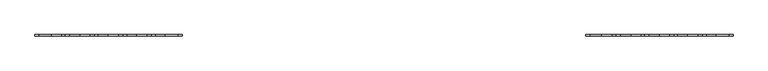
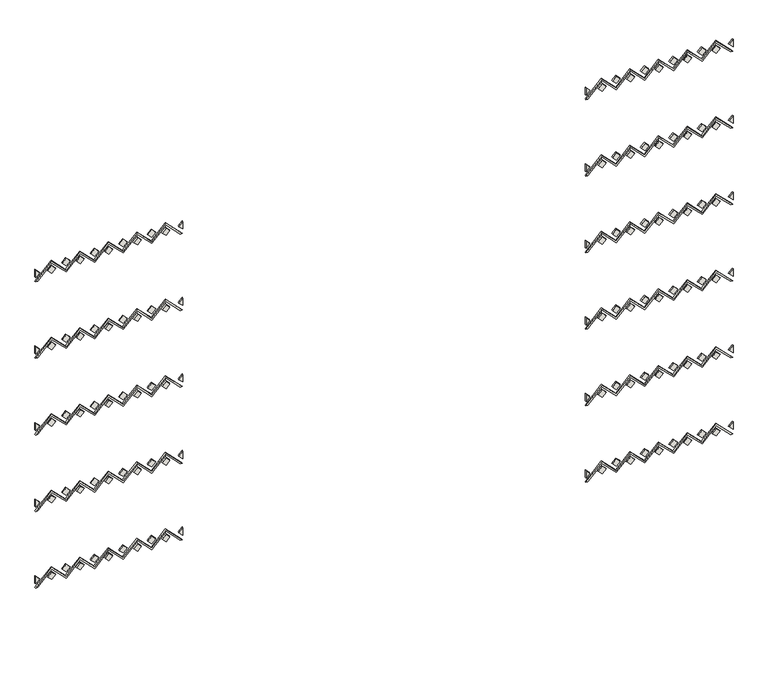
"""IFC4 building model written with IfcOpenShell, lengths in millimetres: wall geometry."""

import ifcopenshell
import ifcopenshell.guid

model = None  # the IFC model being written
_history = None  # IfcOwnerHistory: only IFC2X3 demands one
_inside = {}  # id of a spatial element -> (the spatial element, [elements in it])
_under = {}  # id of a project, library or spatial element -> (it, [spatial elements below it])
_declared = {}  # id of a project -> (the project, [libraries it declares])
_typed = {}  # id of a type object -> (the type object, [elements of that type])
_made_of = {}  # id of a material, layer set ... -> (it, [elements and type objects made of it])


def new_model(schema):
    """Start an empty IFC model of exactly this schema.

    Asked for "IFC4X3", IfcOpenShell would pick the latest addendum, in which some entities
    have other attributes; the version numbers below select the first issue.
    IFC2X3 requires an IfcOwnerHistory on every rooted entity: one is made here for all.
    """
    global model, _history
    if schema == "IFC4X3":
        model = ifcopenshell.file(schema_version=(4, 3, 0, 0))
    else:
        model = ifcopenshell.file(schema=schema)
    _inside.clear()
    _under.clear()
    _declared.clear()
    _typed.clear()
    _made_of.clear()
    _history = None
    if model.schema == "IFC2X3":
        org = make("IfcOrganization", Name="unknown")
        user = make(
            "IfcPersonAndOrganization",
            ThePerson=make("IfcPerson", FamilyName="unknown"),
            TheOrganization=org,
        )
        app = make(
            "IfcApplication",
            ApplicationDeveloper=org,
            Version="unknown",
            ApplicationFullName="unknown",
            ApplicationIdentifier="unknown",
        )
        _history = make(
            "IfcOwnerHistory",
            OwningUser=user,
            OwningApplication=app,
            ChangeAction="ADDED",
            CreationDate=0,
        )
    return model


def make(cls, **values):
    """One entity of the class cls with the attributes given. An attribute that is None is left unset."""
    return model.create_entity(
        cls, **{name: value for name, value in values.items() if value is not None}
    )


def rooted(cls, **values):
    """An entity with a GlobalId (a new one), such as an element, a storey or a relation."""
    return make(cls, GlobalId=ifcopenshell.guid.new(), OwnerHistory=_history, **values)


def si_unit(unit_type, name, prefix=None):
    """IfcSIUnit, for example si_unit("LENGTHUNIT", "METRE", prefix="MILLI")."""
    return make("IfcSIUnit", UnitType=unit_type, Prefix=prefix, Name=name)


def assignment(units):
    """IfcUnitAssignment: the units of a project."""
    return None if units is None else make("IfcUnitAssignment", Units=units)


def point(xyz):
    """IfcCartesianPoint."""
    return None if xyz is None else make("IfcCartesianPoint", Coordinates=xyz)


def direction(xyz):
    """IfcDirection."""
    return None if xyz is None else make("IfcDirection", DirectionRatios=xyz)


def frame(location, z_axis=None, x_axis=None):
    """IfcAxis2Placement3D, a coordinate frame: its origin and axes. An axis left out is left unset."""
    return make(
        "IfcAxis2Placement3D",
        Location=point(location),
        Axis=direction(z_axis),
        RefDirection=direction(x_axis),
    )


def origin():
    """The frame at (0, 0, 0) with its axes left unset."""
    return frame((0.0, 0.0, 0.0))


def place(relative_to, where):
    """IfcLocalPlacement: puts the frame where relative to a parent placement (None: the world)."""
    return make(
        "IfcLocalPlacement", PlacementRelTo=relative_to, RelativePlacement=where
    )


def context(
    kind, dimensions, precision=None, world=None, true_north=None, identifier=None
):
    """IfcGeometricRepresentationContext, for example the 3D "Model" context."""
    return make(
        "IfcGeometricRepresentationContext",
        ContextIdentifier=identifier,
        ContextType=kind,
        CoordinateSpaceDimension=dimensions,
        Precision=precision,
        WorldCoordinateSystem=world,
        TrueNorth=true_north,
    )


def project(units=None, contexts=None):
    """IfcProject with its units and contexts."""
    return rooted(
        "IfcProject",
        Name="project",
        RepresentationContexts=contexts,
        UnitsInContext=assignment(units),
    )


def spatial(cls, under=None, at=None, **own):
    """A site, building, storey or space (cls), placed at a placement, below another one or the project."""
    s = rooted(cls, ObjectPlacement=at, **own)
    if under is not None:
        _under.setdefault(under.id(), (under, []))[1].append(s)
    return s


def polyline(points):
    """IfcPolyline through the points."""
    return make("IfcPolyline", Points=[point(p) for p in points])


def outline(outer, holes=None, kind="AREA"):
    """IfcArbitraryClosedProfileDef: a profile drawn as a closed curve; with holes, ...WithVoids."""
    if holes is None:
        return make("IfcArbitraryClosedProfileDef", ProfileType=kind, OuterCurve=outer)
    return make(
        "IfcArbitraryProfileDefWithVoids",
        ProfileType=kind,
        OuterCurve=outer,
        InnerCurves=holes,
    )


def extrude(swept, where, along, depth):
    """IfcExtrudedAreaSolid: the profile swept, set in the frame where, extruded along a direction by depth."""
    return make(
        "IfcExtrudedAreaSolid",
        SweptArea=swept,
        Position=where,
        ExtrudedDirection=direction(along),
        Depth=depth,
    )


def shape(context_of_items, identifier, shape_type, items):
    """IfcShapeRepresentation: the items that make up one representation, for example the "Body"."""
    return make(
        "IfcShapeRepresentation",
        ContextOfItems=context_of_items,
        RepresentationIdentifier=identifier,
        RepresentationType=shape_type,
        Items=items,
    )


def source(mapping_origin, context_of_items, identifier, shape_type, items):
    """IfcRepresentationMap: a shape defined once, which mapped items show again and again."""
    return make(
        "IfcRepresentationMap",
        MappingOrigin=mapping_origin,
        MappedRepresentation=shape(context_of_items, identifier, shape_type, items),
    )


def transform(
    local_origin,
    x_axis=None,
    y_axis=None,
    z_axis=None,
    scale=None,
    scale2=None,
    scale3=None,
    uniform=True,
):
    """IfcCartesianTransformationOperator3D, or its non-uniform kind. x_axis, y_axis, z_axis: its Axis1, 2, 3."""
    if uniform:
        return make(
            "IfcCartesianTransformationOperator3D",
            Axis1=direction(x_axis),
            Axis2=direction(y_axis),
            LocalOrigin=point(local_origin),
            Scale=scale,
            Axis3=direction(z_axis),
        )
    return make(
        "IfcCartesianTransformationOperator3DnonUniform",
        Axis1=direction(x_axis),
        Axis2=direction(y_axis),
        LocalOrigin=point(local_origin),
        Scale=scale,
        Axis3=direction(z_axis),
        Scale2=scale2,
        Scale3=scale3,
    )


def mapped(mapping_source, mapping_target):
    """IfcMappedItem: shows the shape of a source again, moved by a transform."""
    return make(
        "IfcMappedItem", MappingSource=mapping_source, MappingTarget=mapping_target
    )


def made_of(thing, what):
    """Note that an element or type object is made of a material, layer set ...; save() writes the relation."""
    if what is not None:
        _made_of.setdefault(what.id(), (what, []))[1].append(thing)
    return thing


def element(
    cls,
    number,
    at=None,
    inside=None,
    cuts=None,
    type_object=None,
    material=None,
    context=None,
    identifier="Body",
    shape_type=None,
    held_by="IfcProductDefinitionShape",
    body=None,
    shapes=None,
    **own,
):
    """One element of the class cls, such as IfcWall. Its Tag is "e" and its number.

    at: its placement. inside: the storey or other place that contains it. cuts: it is an
    opening in that element (IfcRelVoidsElement). A single representation is given by context,
    identifier, shape_type and body (its items); several are given by shapes. held_by: the class
    of the entity that holds the representations. save() writes the other relations.
    """
    e = rooted(cls, Tag="e%d" % number, ObjectPlacement=at, **own)
    if body is not None:
        shapes = [shape(context, identifier, shape_type, body)]
    if shapes is not None:
        e.Representation = make(held_by, Representations=shapes)
    if inside is not None:
        _inside.setdefault(inside.id(), (inside, []))[1].append(e)
    if cuts is not None:
        rooted(
            "IfcRelVoidsElement", RelatingBuildingElement=cuts, RelatedOpeningElement=e
        )
    if type_object is not None:
        _typed.setdefault(type_object.id(), (type_object, []))[1].append(e)
    return made_of(e, material)


def aggregate(whole, parts):
    """IfcRelAggregates: a whole, such as a stair, and the parts it consists of."""
    return rooted("IfcRelAggregates", RelatingObject=whole, RelatedObjects=parts)


def save(model, path):
    """Write the relations noted so far, then the file.

    IfcRelAggregates (storeys below a building ...), IfcRelContainedInSpatialStructure (elements
    in a storey), IfcRelDefinesByType, IfcRelAssociatesMaterial and IfcRelDeclares: one each for
    every whole, place, type object, material and project.
    """
    for whole, parts in _under.values():
        aggregate(whole, parts)
    for where, things in _inside.values():
        rooted(
            "IfcRelContainedInSpatialStructure",
            RelatedElements=things,
            RelatingStructure=where,
        )
    for kind, things in _typed.values():
        rooted("IfcRelDefinesByType", RelatedObjects=things, RelatingType=kind)
    for what, things in _made_of.values():
        rooted("IfcRelAssociatesMaterial", RelatedObjects=things, RelatingMaterial=what)
    for by, libraries in _declared.values():
        rooted("IfcRelDeclares", RelatingContext=by, RelatedDefinitions=libraries)
    model.write(path)


def wall_6f62bc7a(model_context):
    return source(origin(), model_context, "Body", "SweptSolid", [
        extrude(outline(polyline([(36070.7106781, 9670.7106781), (36600.0, 9141.4213562), (36070.7106781, 8612.1320344), (36600.0, 8082.8427125), (36000.0, 7482.8427125), (36000.0, 7553.5533906), (36529.2893219, 8082.8427125), (36000.0, 8612.1320344), (36529.2893219, 9141.4213562), (36000.0, 9670.7106781), (36529.2893219, 10200.0), (36000.0, 10729.2893219), (36529.2893219, 11258.5786438), (36000.0, 11787.8679656), (36529.2893219, 12317.1572875), (36000.0, 12846.4466094), (36000.0, 12917.1572875), (36600.0, 12317.1572875), (36070.7106781, 11787.8679656), (36600.0, 11258.5786438), (36070.7106781, 10729.2893219), (36600.0, 10200.0), (36070.7106781, 9670.7106781)])), frame((0.0, -13815.7022443, 0.0), z_axis=(0.0, 1.0, 0.0), x_axis=(0.0, 0.0, 1.0)), (0.0, 0.0, 1.0), 50.0),
        extrude(outline(polyline([(0.0, -205.0609665), (0.0, 0.0), (50.0, 0.0), (50.0, -205.0609665), (0.0, -205.0609665)])), frame((10055.0, -13815.7022443, 36274.2893219), z_axis=(0.7071067811865581, 0.0, 0.707106781186537), x_axis=(0.0, 1.0, 0.0)), (0.0, 0.0, 1.0), 205.0609665),
        extrude(outline(polyline([(0.0, -205.0609665), (0.0, 0.0), (50.0, 0.0), (50.0, -205.0609665), (0.0, -205.0609665)])), frame((11113.5786438, -13815.7022443, 36274.2893219), z_axis=(0.7071067811865581, 0.0, 0.707106781186537), x_axis=(0.0, 1.0, 0.0)), (0.0, 0.0, 1.0), 205.0609665),
        extrude(outline(polyline([(0.0, -205.0609665), (0.0, 0.0), (50.0, 0.0), (50.0, -205.0609665), (0.0, -205.0609665)])), frame((12172.1572875, -13815.7022443, 36274.2893219), z_axis=(0.7071067811865581, 0.0, 0.707106781186537), x_axis=(0.0, 1.0, 0.0)), (0.0, 0.0, 1.0), 205.0609665),
        extrude(outline(polyline([(0.0, -205.0609665), (0.0, 0.0), (50.0, 0.0), (50.0, -205.0609665), (0.0, -205.0609665)])), frame((8996.4213562, -13815.7022443, 36274.2893219), z_axis=(0.7071067811865581, 0.0, 0.707106781186537), x_axis=(0.0, 1.0, 0.0)), (0.0, 0.0, 1.0), 205.0609665),
        extrude(outline(polyline([(0.0, -205.0609665), (0.0, 0.0), (50.0, 0.0), (50.0, -205.0609665), (0.0, -205.0609665)])), frame((7937.8427125, -13815.7022443, 36274.2893219), z_axis=(0.7071067811865581, 0.0, 0.707106781186537), x_axis=(0.0, 1.0, 0.0)), (0.0, 0.0, 1.0), 205.0609665),
        extrude(outline(polyline([(0.0, -205.0609665), (0.0, 0.0), (50.0, 0.0), (50.0, -205.0609665), (0.0, -205.0609665)])), frame((8470.0118402, -13815.7022443, 36384.2893219), z_axis=(0.7071067811865581, 0.0, 0.707106781186537), x_axis=(0.0, 1.0, 0.0)), (0.0, 0.0, 1.0), 205.0609665),
        extrude(outline(polyline([(0.0, -205.0609665), (0.0, 0.0), (50.0, 0.0), (50.0, -205.0609665), (0.0, -205.0609665)])), frame((9528.590484, -13815.7022443, 36384.2893219), z_axis=(0.7071067811865555, 0.0, 0.7071067811865396), x_axis=(0.0, 1.0, 0.0)), (0.0, 0.0, 1.0), 205.0609665),
        extrude(outline(polyline([(0.0, -205.0609665), (0.0, 0.0), (50.0, 0.0), (50.0, -205.0609665), (0.0, -205.0609665)])), frame((10587.1691277, -13815.7022443, 36384.2893219), z_axis=(0.7071067811865581, 0.0, 0.707106781186537), x_axis=(0.0, 1.0, 0.0)), (0.0, 0.0, 1.0), 205.0609665),
        extrude(outline(polyline([(0.0, -205.0609665), (0.0, 0.0), (50.0, 0.0), (50.0, -205.0609665), (0.0, -205.0609665)])), frame((11645.7477715, -13815.7022443, 36384.2893219), z_axis=(0.7071067811865581, 0.0, 0.707106781186537), x_axis=(0.0, 1.0, 0.0)), (0.0, 0.0, 1.0), 205.0609665),
        extrude(outline(polyline([(36313.5786438, 12792.8798059), (36168.5786438, 12937.8798059), (36458.5786438, 12937.8798059), (36313.5786438, 12792.8798059)])), frame((0.0, -13815.7022443, 0.0), z_axis=(0.0, 1.0, 0.0), x_axis=(0.0, 0.0, 1.0)), (0.0, 0.0, 1.0), 50.0),
        extrude(outline(polyline([(36458.5786438, 7485.7225183), (36168.5786438, 7485.7225183), (36313.5786438, 7630.7225183), (36458.5786438, 7485.7225183)])), frame((0.0, -13815.7022443, 0.0), z_axis=(0.0, 1.0, 0.0), x_axis=(0.0, 0.0, 1.0)), (0.0, 0.0, 1.0), 50.0),
        extrude(outline(polyline([(36070.7106781, -10729.2893219), (36600.0, -11258.5786438), (36070.7106781, -11787.8679656), (36600.0, -12317.1572875), (36000.0, -12917.1572875), (36000.0, -12846.4466094), (36529.2893219, -12317.1572875), (36000.0, -11787.8679656), (36529.2893219, -11258.5786438), (36000.0, -10729.2893219), (36529.2893219, -10200.0), (36000.0, -9670.7106781), (36529.2893219, -9141.4213562), (36000.0, -8612.1320344), (36529.2893219, -8082.8427125), (36000.0, -7553.5533906), (36000.0, -7482.8427125), (36600.0, -8082.8427125), (36070.7106781, -8612.1320344), (36600.0, -9141.4213562), (36070.7106781, -9670.7106781), (36600.0, -10200.0), (36070.7106781, -10729.2893219)])), frame((0.0, -13815.7022443, 0.0), z_axis=(0.0, 1.0, 0.0), x_axis=(0.0, 0.0, 1.0)), (0.0, 0.0, 1.0), 50.0),
        extrude(outline(polyline([(0.0, -205.0609665), (0.0, 0.0), (50.0, 0.0), (50.0, -205.0609665), (0.0, -205.0609665)])), frame((-10345.0, -13815.7022443, 36274.2893219), z_axis=(0.7071067811865634, 0.0, 0.7071067811865317), x_axis=(0.0, 1.0, 0.0)), (0.0, 0.0, 1.0), 205.0609665),
        extrude(outline(polyline([(0.0, -205.0609665), (0.0, 0.0), (50.0, 0.0), (50.0, -205.0609665), (0.0, -205.0609665)])), frame((-9286.4213562, -13815.7022443, 36274.2893219), z_axis=(0.7071067811865581, 0.0, 0.707106781186537), x_axis=(0.0, 1.0, 0.0)), (0.0, 0.0, 1.0), 205.0609665),
        extrude(outline(polyline([(0.0, -205.0609665), (0.0, 0.0), (50.0, 0.0), (50.0, -205.0609665), (0.0, -205.0609665)])), frame((-8227.8427125, -13815.7022443, 36274.2893219), z_axis=(0.7071067811865581, 0.0, 0.707106781186537), x_axis=(0.0, 1.0, 0.0)), (0.0, 0.0, 1.0), 205.0609665),
        extrude(outline(polyline([(0.0, -205.0609665), (0.0, 0.0), (50.0, 0.0), (50.0, -205.0609665), (0.0, -205.0609665)])), frame((-11403.5786438, -13815.7022443, 36274.2893219), z_axis=(0.7071067811865581, 0.0, 0.707106781186537), x_axis=(0.0, 1.0, 0.0)), (0.0, 0.0, 1.0), 205.0609665),
        extrude(outline(polyline([(0.0, -205.0609665), (0.0, 0.0), (50.0, 0.0), (50.0, -205.0609665), (0.0, -205.0609665)])), frame((-12462.1572875, -13815.7022443, 36274.2893219), z_axis=(0.7071067811865581, 0.0, 0.707106781186537), x_axis=(0.0, 1.0, 0.0)), (0.0, 0.0, 1.0), 205.0609665),
        extrude(outline(polyline([(0.0, -205.0609665), (0.0, 0.0), (50.0, 0.0), (50.0, -205.0609665), (0.0, -205.0609665)])), frame((-11929.9881598, -13815.7022443, 36384.2893219), z_axis=(0.7071067811865581, 0.0, 0.707106781186537), x_axis=(0.0, 1.0, 0.0)), (0.0, 0.0, 1.0), 205.0609665),
        extrude(outline(polyline([(0.0, -205.0609665), (0.0, 0.0), (50.0, 0.0), (50.0, -205.0609665), (0.0, -205.0609665)])), frame((-10871.409516, -13815.7022443, 36384.2893219), z_axis=(0.7071067811865581, 0.0, 0.707106781186537), x_axis=(0.0, 1.0, 0.0)), (0.0, 0.0, 1.0), 205.0609665),
        extrude(outline(polyline([(0.0, -205.0609665), (0.0, 0.0), (50.0, 0.0), (50.0, -205.0609665), (0.0, -205.0609665)])), frame((-9812.8308723, -13815.7022443, 36384.2893219), z_axis=(0.7071067811865555, 0.0, 0.7071067811865397), x_axis=(0.0, 1.0, 0.0)), (0.0, 0.0, 1.0), 205.0609665),
        extrude(outline(polyline([(0.0, -205.0609665), (0.0, 0.0), (50.0, 0.0), (50.0, -205.0609665), (0.0, -205.0609665)])), frame((-8754.2522285, -13815.7022443, 36384.2893219), z_axis=(0.7071067811865581, 0.0, 0.707106781186537), x_axis=(0.0, 1.0, 0.0)), (0.0, 0.0, 1.0), 205.0609665),
        extrude(outline(polyline([(36313.5786438, -7607.1201941), (36168.5786438, -7462.1201941), (36458.5786438, -7462.1201941), (36313.5786438, -7607.1201941)])), frame((0.0, -13815.7022443, 0.0), z_axis=(0.0, 1.0, 0.0), x_axis=(0.0, 0.0, 1.0)), (0.0, 0.0, 1.0), 50.0),
        extrude(outline(polyline([(36458.5786438, -12914.2774817), (36168.5786438, -12914.2774817), (36313.5786438, -12769.2774817), (36458.5786438, -12914.2774817)])), frame((0.0, -13815.7022443, 0.0), z_axis=(0.0, 1.0, 0.0), x_axis=(0.0, 0.0, 1.0)), (0.0, 0.0, 1.0), 50.0),
        extrude(outline(polyline([(33070.7106781, 9670.7106781), (33600.0, 9141.4213562), (33070.7106781, 8612.1320344), (33600.0, 8082.8427125), (33000.0, 7482.8427125), (33000.0, 7553.5533906), (33529.2893219, 8082.8427125), (33000.0, 8612.1320344), (33529.2893219, 9141.4213562), (33000.0, 9670.7106781), (33529.2893219, 10200.0), (33000.0, 10729.2893219), (33529.2893219, 11258.5786438), (33000.0, 11787.8679656), (33529.2893219, 12317.1572875), (33000.0, 12846.4466094), (33000.0, 12917.1572875), (33600.0, 12317.1572875), (33070.7106781, 11787.8679656), (33600.0, 11258.5786438), (33070.7106781, 10729.2893219), (33600.0, 10200.0), (33070.7106781, 9670.7106781)])), frame((0.0, -13815.7022443, 0.0), z_axis=(0.0, 1.0, 0.0), x_axis=(0.0, 0.0, 1.0)), (0.0, 0.0, 1.0), 50.0),
        extrude(outline(polyline([(0.0, -205.0609665), (0.0, 0.0), (50.0, 0.0), (50.0, -205.0609665), (0.0, -205.0609665)])), frame((10055.0, -13815.7022443, 33274.2893219), z_axis=(0.7071067811865581, 0.0, 0.707106781186537), x_axis=(0.0, 1.0, 0.0)), (0.0, 0.0, 1.0), 205.0609665),
        extrude(outline(polyline([(0.0, -205.0609665), (0.0, 0.0), (50.0, 0.0), (50.0, -205.0609665), (0.0, -205.0609665)])), frame((11113.5786438, -13815.7022443, 33274.2893219), z_axis=(0.7071067811865581, 0.0, 0.707106781186537), x_axis=(0.0, 1.0, 0.0)), (0.0, 0.0, 1.0), 205.0609665),
        extrude(outline(polyline([(0.0, -205.0609665), (0.0, 0.0), (50.0, 0.0), (50.0, -205.0609665), (0.0, -205.0609665)])), frame((12172.1572875, -13815.7022443, 33274.2893219), z_axis=(0.7071067811865476, 0.0, 0.7071067811865476), x_axis=(0.0, 1.0, 0.0)), (0.0, 0.0, 1.0), 205.0609665),
        extrude(outline(polyline([(0.0, -205.0609665), (0.0, 0.0), (50.0, 0.0), (50.0, -205.0609665), (0.0, -205.0609665)])), frame((8996.4213562, -13815.7022443, 33274.2893219), z_axis=(0.7071067811865581, 0.0, 0.707106781186537), x_axis=(0.0, 1.0, 0.0)), (0.0, 0.0, 1.0), 205.0609665),
        extrude(outline(polyline([(0.0, -205.0609665), (0.0, 0.0), (50.0, 0.0), (50.0, -205.0609665), (0.0, -205.0609665)])), frame((7937.8427125, -13815.7022443, 33274.2893219), z_axis=(0.7071067811865581, 0.0, 0.707106781186537), x_axis=(0.0, 1.0, 0.0)), (0.0, 0.0, 1.0), 205.0609665),
        extrude(outline(polyline([(0.0, -205.0609665), (0.0, 0.0), (50.0, 0.0), (50.0, -205.0609665), (0.0, -205.0609665)])), frame((8470.0118402, -13815.7022443, 33384.2893219), z_axis=(0.7071067811865581, 0.0, 0.707106781186537), x_axis=(0.0, 1.0, 0.0)), (0.0, 0.0, 1.0), 205.0609665),
        extrude(outline(polyline([(0.0, -205.0609665), (0.0, 0.0), (50.0, 0.0), (50.0, -205.0609665), (0.0, -205.0609665)])), frame((9528.590484, -13815.7022443, 33384.2893219), z_axis=(0.7071067811865502, 0.0, 0.7071067811865449), x_axis=(0.0, 1.0, 0.0)), (0.0, 0.0, 1.0), 205.0609665),
        extrude(outline(polyline([(0.0, -205.0609665), (0.0, 0.0), (50.0, 0.0), (50.0, -205.0609665), (0.0, -205.0609665)])), frame((10587.1691277, -13815.7022443, 33384.2893219), z_axis=(0.7071067811865581, 0.0, 0.707106781186537), x_axis=(0.0, 1.0, 0.0)), (0.0, 0.0, 1.0), 205.0609665),
        extrude(outline(polyline([(0.0, -205.0609665), (0.0, 0.0), (50.0, 0.0), (50.0, -205.0609665), (0.0, -205.0609665)])), frame((11645.7477715, -13815.7022443, 33384.2893219), z_axis=(0.7071067811865581, 0.0, 0.707106781186537), x_axis=(0.0, 1.0, 0.0)), (0.0, 0.0, 1.0), 205.0609665),
        extrude(outline(polyline([(33313.5786438, 12792.8798059), (33168.5786438, 12937.8798059), (33458.5786438, 12937.8798059), (33313.5786438, 12792.8798059)])), frame((0.0, -13815.7022443, 0.0), z_axis=(0.0, 1.0, 0.0), x_axis=(0.0, 0.0, 1.0)), (0.0, 0.0, 1.0), 50.0),
        extrude(outline(polyline([(33458.5786438, 7485.7225183), (33168.5786438, 7485.7225183), (33313.5786438, 7630.7225183), (33458.5786438, 7485.7225183)])), frame((0.0, -13815.7022443, 0.0), z_axis=(0.0, 1.0, 0.0), x_axis=(0.0, 0.0, 1.0)), (0.0, 0.0, 1.0), 50.0),
        extrude(outline(polyline([(33070.7106781, -10729.2893219), (33600.0, -11258.5786438), (33070.7106781, -11787.8679656), (33600.0, -12317.1572875), (33000.0, -12917.1572875), (33000.0, -12846.4466094), (33529.2893219, -12317.1572875), (33000.0, -11787.8679656), (33529.2893219, -11258.5786438), (33000.0, -10729.2893219), (33529.2893219, -10200.0), (33000.0, -9670.7106781), (33529.2893219, -9141.4213562), (33000.0, -8612.1320344), (33529.2893219, -8082.8427125), (33000.0, -7553.5533906), (33000.0, -7482.8427125), (33600.0, -8082.8427125), (33070.7106781, -8612.1320344), (33600.0, -9141.4213562), (33070.7106781, -9670.7106781), (33600.0, -10200.0), (33070.7106781, -10729.2893219)])), frame((0.0, -13815.7022443, 0.0), z_axis=(0.0, 1.0, 0.0), x_axis=(0.0, 0.0, 1.0)), (0.0, 0.0, 1.0), 50.0),
        extrude(outline(polyline([(0.0, -205.0609665), (0.0, 0.0), (50.0, 0.0), (50.0, -205.0609665), (0.0, -205.0609665)])), frame((-10345.0, -13815.7022443, 33274.2893219), z_axis=(0.7071067811865581, 0.0, 0.707106781186537), x_axis=(0.0, 1.0, 0.0)), (0.0, 0.0, 1.0), 205.0609665),
        extrude(outline(polyline([(0.0, -205.0609665), (0.0, 0.0), (50.0, 0.0), (50.0, -205.0609665), (0.0, -205.0609665)])), frame((-9286.4213562, -13815.7022443, 33274.2893219), z_axis=(0.7071067811865476, 0.0, 0.7071067811865476), x_axis=(0.0, 1.0, 0.0)), (0.0, 0.0, 1.0), 205.0609665),
        extrude(outline(polyline([(0.0, -205.0609665), (0.0, 0.0), (50.0, 0.0), (50.0, -205.0609665), (0.0, -205.0609665)])), frame((-8227.8427125, -13815.7022443, 33274.2893219), z_axis=(0.7071067811865581, 0.0, 0.707106781186537), x_axis=(0.0, 1.0, 0.0)), (0.0, 0.0, 1.0), 205.0609665),
        extrude(outline(polyline([(0.0, -205.0609665), (0.0, 0.0), (50.0, 0.0), (50.0, -205.0609665), (0.0, -205.0609665)])), frame((-11403.5786438, -13815.7022443, 33274.2893219), z_axis=(0.7071067811865581, 0.0, 0.707106781186537), x_axis=(0.0, 1.0, 0.0)), (0.0, 0.0, 1.0), 205.0609665),
        extrude(outline(polyline([(0.0, -205.0609665), (0.0, 0.0), (50.0, 0.0), (50.0, -205.0609665), (0.0, -205.0609665)])), frame((-12462.1572875, -13815.7022443, 33274.2893219), z_axis=(0.7071067811865581, 0.0, 0.707106781186537), x_axis=(0.0, 1.0, 0.0)), (0.0, 0.0, 1.0), 205.0609665),
        extrude(outline(polyline([(0.0, -205.0609665), (0.0, 0.0), (50.0, 0.0), (50.0, -205.0609665), (0.0, -205.0609665)])), frame((-11929.9881598, -13815.7022443, 33384.2893219), z_axis=(0.7071067811865528, 0.0, 0.7071067811865422), x_axis=(0.0, 1.0, 0.0)), (0.0, 0.0, 1.0), 205.0609665),
        extrude(outline(polyline([(0.0, -205.0609665), (0.0, 0.0), (50.0, 0.0), (50.0, -205.0609665), (0.0, -205.0609665)])), frame((-10871.409516, -13815.7022443, 33384.2893219), z_axis=(0.7071067811865581, 0.0, 0.707106781186537), x_axis=(0.0, 1.0, 0.0)), (0.0, 0.0, 1.0), 205.0609665),
        extrude(outline(polyline([(0.0, -205.0609665), (0.0, 0.0), (50.0, 0.0), (50.0, -205.0609665), (0.0, -205.0609665)])), frame((-9812.8308723, -13815.7022443, 33384.2893219), z_axis=(0.7071067811865555, 0.0, 0.7071067811865397), x_axis=(0.0, 1.0, 0.0)), (0.0, 0.0, 1.0), 205.0609665),
        extrude(outline(polyline([(0.0, -205.0609665), (0.0, 0.0), (50.0, 0.0), (50.0, -205.0609665), (0.0, -205.0609665)])), frame((-8754.2522285, -13815.7022443, 33384.2893219), z_axis=(0.7071067811865581, 0.0, 0.707106781186537), x_axis=(0.0, 1.0, 0.0)), (0.0, 0.0, 1.0), 205.0609665),
        extrude(outline(polyline([(33313.5786438, -7607.1201941), (33168.5786438, -7462.1201941), (33458.5786438, -7462.1201941), (33313.5786438, -7607.1201941)])), frame((0.0, -13815.7022443, 0.0), z_axis=(0.0, 1.0, 0.0), x_axis=(0.0, 0.0, 1.0)), (0.0, 0.0, 1.0), 50.0),
        extrude(outline(polyline([(33458.5786438, -12914.2774817), (33168.5786438, -12914.2774817), (33313.5786438, -12769.2774817), (33458.5786438, -12914.2774817)])), frame((0.0, -13815.7022443, 0.0), z_axis=(0.0, 1.0, 0.0), x_axis=(0.0, 0.0, 1.0)), (0.0, 0.0, 1.0), 50.0),
        extrude(outline(polyline([(30070.7106781, 9670.7106781), (30600.0, 9141.4213562), (30070.7106781, 8612.1320344), (30600.0, 8082.8427125), (30000.0, 7482.8427125), (30000.0, 7553.5533906), (30529.2893219, 8082.8427125), (30000.0, 8612.1320344), (30529.2893219, 9141.4213562), (30000.0, 9670.7106781), (30529.2893219, 10200.0), (30000.0, 10729.2893219), (30529.2893219, 11258.5786438), (30000.0, 11787.8679656), (30529.2893219, 12317.1572875), (30000.0, 12846.4466094), (30000.0, 12917.1572875), (30600.0, 12317.1572875), (30070.7106781, 11787.8679656), (30600.0, 11258.5786438), (30070.7106781, 10729.2893219), (30600.0, 10200.0), (30070.7106781, 9670.7106781)])), frame((0.0, -13815.7022443, 0.0), z_axis=(0.0, 1.0, 0.0), x_axis=(0.0, 0.0, 1.0)), (0.0, 0.0, 1.0), 50.0),
        extrude(outline(polyline([(0.0, -205.0609665), (0.0, 0.0), (50.0, 0.0), (50.0, -205.0609665), (0.0, -205.0609665)])), frame((10055.0, -13815.7022443, 30274.2893219), z_axis=(0.7071067811865581, 0.0, 0.707106781186537), x_axis=(0.0, 1.0, 0.0)), (0.0, 0.0, 1.0), 205.0609665),
        extrude(outline(polyline([(0.0, -205.0609665), (0.0, 0.0), (50.0, 0.0), (50.0, -205.0609665), (0.0, -205.0609665)])), frame((11113.5786438, -13815.7022443, 30274.2893219), z_axis=(0.7071067811865581, 0.0, 0.707106781186537), x_axis=(0.0, 1.0, 0.0)), (0.0, 0.0, 1.0), 205.0609665),
        extrude(outline(polyline([(0.0, -205.0609665), (0.0, 0.0), (50.0, 0.0), (50.0, -205.0609665), (0.0, -205.0609665)])), frame((12172.1572875, -13815.7022443, 30274.2893219), z_axis=(0.7071067811865581, 0.0, 0.707106781186537), x_axis=(0.0, 1.0, 0.0)), (0.0, 0.0, 1.0), 205.0609665),
        extrude(outline(polyline([(0.0, -205.0609665), (0.0, 0.0), (50.0, 0.0), (50.0, -205.0609665), (0.0, -205.0609665)])), frame((8996.4213562, -13815.7022443, 30274.2893219), z_axis=(0.7071067811865581, 0.0, 0.707106781186537), x_axis=(0.0, 1.0, 0.0)), (0.0, 0.0, 1.0), 205.0609665),
        extrude(outline(polyline([(0.0, -205.0609665), (0.0, 0.0), (50.0, 0.0), (50.0, -205.0609665), (0.0, -205.0609665)])), frame((7937.8427125, -13815.7022443, 30274.2893219), z_axis=(0.7071067811865581, 0.0, 0.707106781186537), x_axis=(0.0, 1.0, 0.0)), (0.0, 0.0, 1.0), 205.0609665),
        extrude(outline(polyline([(0.0, -205.0609665), (0.0, 0.0), (50.0, 0.0), (50.0, -205.0609665), (0.0, -205.0609665)])), frame((8470.0118402, -13815.7022443, 30384.2893219), z_axis=(0.7071067811865581, 0.0, 0.707106781186537), x_axis=(0.0, 1.0, 0.0)), (0.0, 0.0, 1.0), 205.0609665),
        extrude(outline(polyline([(0.0, -205.0609665), (0.0, 0.0), (50.0, 0.0), (50.0, -205.0609665), (0.0, -205.0609665)])), frame((9528.590484, -13815.7022443, 30384.2893219), z_axis=(0.7071067811865555, 0.0, 0.7071067811865396), x_axis=(0.0, 1.0, 0.0)), (0.0, 0.0, 1.0), 205.0609665),
        extrude(outline(polyline([(0.0, -205.0609665), (0.0, 0.0), (50.0, 0.0), (50.0, -205.0609665), (0.0, -205.0609665)])), frame((10587.1691277, -13815.7022443, 30384.2893219), z_axis=(0.7071067811865581, 0.0, 0.707106781186537), x_axis=(0.0, 1.0, 0.0)), (0.0, 0.0, 1.0), 205.0609665),
        extrude(outline(polyline([(0.0, -205.0609665), (0.0, 0.0), (50.0, 0.0), (50.0, -205.0609665), (0.0, -205.0609665)])), frame((11645.7477715, -13815.7022443, 30384.2893219), z_axis=(0.7071067811865581, 0.0, 0.707106781186537), x_axis=(0.0, 1.0, 0.0)), (0.0, 0.0, 1.0), 205.0609665),
        extrude(outline(polyline([(30313.5786438, 12792.8798059), (30168.5786438, 12937.8798059), (30458.5786438, 12937.8798059), (30313.5786438, 12792.8798059)])), frame((0.0, -13815.7022443, 0.0), z_axis=(0.0, 1.0, 0.0), x_axis=(0.0, 0.0, 1.0)), (0.0, 0.0, 1.0), 50.0),
        extrude(outline(polyline([(30458.5786438, 7485.7225183), (30168.5786438, 7485.7225183), (30313.5786438, 7630.7225183), (30458.5786438, 7485.7225183)])), frame((0.0, -13815.7022443, 0.0), z_axis=(0.0, 1.0, 0.0), x_axis=(0.0, 0.0, 1.0)), (0.0, 0.0, 1.0), 50.0),
        extrude(outline(polyline([(30070.7106781, -10729.2893219), (30600.0, -11258.5786438), (30070.7106781, -11787.8679656), (30600.0, -12317.1572875), (30000.0, -12917.1572875), (30000.0, -12846.4466094), (30529.2893219, -12317.1572875), (30000.0, -11787.8679656), (30529.2893219, -11258.5786438), (30000.0, -10729.2893219), (30529.2893219, -10200.0), (30000.0, -9670.7106781), (30529.2893219, -9141.4213562), (30000.0, -8612.1320344), (30529.2893219, -8082.8427125), (30000.0, -7553.5533906), (30000.0, -7482.8427125), (30600.0, -8082.8427125), (30070.7106781, -8612.1320344), (30600.0, -9141.4213562), (30070.7106781, -9670.7106781), (30600.0, -10200.0), (30070.7106781, -10729.2893219)])), frame((0.0, -13815.7022443, 0.0), z_axis=(0.0, 1.0, 0.0), x_axis=(0.0, 0.0, 1.0)), (0.0, 0.0, 1.0), 50.0),
        extrude(outline(polyline([(0.0, -205.0609665), (0.0, 0.0), (50.0, 0.0), (50.0, -205.0609665), (0.0, -205.0609665)])), frame((-10345.0, -13815.7022443, 30274.2893219), z_axis=(0.7071067811865634, 0.0, 0.7071067811865317), x_axis=(0.0, 1.0, 0.0)), (0.0, 0.0, 1.0), 205.0609665),
        extrude(outline(polyline([(0.0, -205.0609665), (0.0, 0.0), (50.0, 0.0), (50.0, -205.0609665), (0.0, -205.0609665)])), frame((-9286.4213562, -13815.7022443, 30274.2893219), z_axis=(0.7071067811865581, 0.0, 0.707106781186537), x_axis=(0.0, 1.0, 0.0)), (0.0, 0.0, 1.0), 205.0609665),
        extrude(outline(polyline([(0.0, -205.0609665), (0.0, 0.0), (50.0, 0.0), (50.0, -205.0609665), (0.0, -205.0609665)])), frame((-8227.8427125, -13815.7022443, 30274.2893219), z_axis=(0.7071067811865581, 0.0, 0.707106781186537), x_axis=(0.0, 1.0, 0.0)), (0.0, 0.0, 1.0), 205.0609665),
        extrude(outline(polyline([(0.0, -205.0609665), (0.0, 0.0), (50.0, 0.0), (50.0, -205.0609665), (0.0, -205.0609665)])), frame((-11403.5786438, -13815.7022443, 30274.2893219), z_axis=(0.7071067811865581, 0.0, 0.707106781186537), x_axis=(0.0, 1.0, 0.0)), (0.0, 0.0, 1.0), 205.0609665),
        extrude(outline(polyline([(0.0, -205.0609665), (0.0, 0.0), (50.0, 0.0), (50.0, -205.0609665), (0.0, -205.0609665)])), frame((-12462.1572875, -13815.7022443, 30274.2893219), z_axis=(0.7071067811865581, 0.0, 0.707106781186537), x_axis=(0.0, 1.0, 0.0)), (0.0, 0.0, 1.0), 205.0609665),
        extrude(outline(polyline([(0.0, -205.0609665), (0.0, 0.0), (50.0, 0.0), (50.0, -205.0609665), (0.0, -205.0609665)])), frame((-11929.9881598, -13815.7022443, 30384.2893219), z_axis=(0.7071067811865581, 0.0, 0.707106781186537), x_axis=(0.0, 1.0, 0.0)), (0.0, 0.0, 1.0), 205.0609665),
        extrude(outline(polyline([(0.0, -205.0609665), (0.0, 0.0), (50.0, 0.0), (50.0, -205.0609665), (0.0, -205.0609665)])), frame((-10871.409516, -13815.7022443, 30384.2893219), z_axis=(0.7071067811865581, 0.0, 0.707106781186537), x_axis=(0.0, 1.0, 0.0)), (0.0, 0.0, 1.0), 205.0609665),
        extrude(outline(polyline([(0.0, -205.0609665), (0.0, 0.0), (50.0, 0.0), (50.0, -205.0609665), (0.0, -205.0609665)])), frame((-9812.8308723, -13815.7022443, 30384.2893219), z_axis=(0.7071067811865555, 0.0, 0.7071067811865397), x_axis=(0.0, 1.0, 0.0)), (0.0, 0.0, 1.0), 205.0609665),
        extrude(outline(polyline([(0.0, -205.0609665), (0.0, 0.0), (50.0, 0.0), (50.0, -205.0609665), (0.0, -205.0609665)])), frame((-8754.2522285, -13815.7022443, 30384.2893219), z_axis=(0.7071067811865581, 0.0, 0.707106781186537), x_axis=(0.0, 1.0, 0.0)), (0.0, 0.0, 1.0), 205.0609665),
        extrude(outline(polyline([(30313.5786438, -7607.1201941), (30168.5786438, -7462.1201941), (30458.5786438, -7462.1201941), (30313.5786438, -7607.1201941)])), frame((0.0, -13815.7022443, 0.0), z_axis=(0.0, 1.0, 0.0), x_axis=(0.0, 0.0, 1.0)), (0.0, 0.0, 1.0), 50.0),
        extrude(outline(polyline([(30458.5786438, -12914.2774817), (30168.5786438, -12914.2774817), (30313.5786438, -12769.2774817), (30458.5786438, -12914.2774817)])), frame((0.0, -13815.7022443, 0.0), z_axis=(0.0, 1.0, 0.0), x_axis=(0.0, 0.0, 1.0)), (0.0, 0.0, 1.0), 50.0),
        extrude(outline(polyline([(27070.7106781, 9670.7106781), (27600.0, 9141.4213562), (27070.7106781, 8612.1320344), (27600.0, 8082.8427125), (27000.0, 7482.8427125), (27000.0, 7553.5533906), (27529.2893219, 8082.8427125), (27000.0, 8612.1320344), (27529.2893219, 9141.4213562), (27000.0, 9670.7106781), (27529.2893219, 10200.0), (27000.0, 10729.2893219), (27529.2893219, 11258.5786438), (27000.0, 11787.8679656), (27529.2893219, 12317.1572875), (27000.0, 12846.4466094), (27000.0, 12917.1572875), (27600.0, 12317.1572875), (27070.7106781, 11787.8679656), (27600.0, 11258.5786438), (27070.7106781, 10729.2893219), (27600.0, 10200.0), (27070.7106781, 9670.7106781)])), frame((0.0, -13815.7022443, 0.0), z_axis=(0.0, 1.0, 0.0), x_axis=(0.0, 0.0, 1.0)), (0.0, 0.0, 1.0), 50.0),
        extrude(outline(polyline([(0.0, -205.0609665), (0.0, 0.0), (50.0, 0.0), (50.0, -205.0609665), (0.0, -205.0609665)])), frame((10055.0, -13815.7022443, 27274.2893219), z_axis=(0.7071067811865581, 0.0, 0.707106781186537), x_axis=(0.0, 1.0, 0.0)), (0.0, 0.0, 1.0), 205.0609665),
        extrude(outline(polyline([(0.0, -205.0609665), (0.0, 0.0), (50.0, 0.0), (50.0, -205.0609665), (0.0, -205.0609665)])), frame((11113.5786438, -13815.7022443, 27274.2893219), z_axis=(0.7071067811865581, 0.0, 0.707106781186537), x_axis=(0.0, 1.0, 0.0)), (0.0, 0.0, 1.0), 205.0609665),
        extrude(outline(polyline([(0.0, -205.0609665), (0.0, 0.0), (50.0, 0.0), (50.0, -205.0609665), (0.0, -205.0609665)])), frame((12172.1572875, -13815.7022443, 27274.2893219), z_axis=(0.7071067811865476, 0.0, 0.7071067811865476), x_axis=(0.0, 1.0, 0.0)), (0.0, 0.0, 1.0), 205.0609665),
        extrude(outline(polyline([(0.0, -205.0609665), (0.0, 0.0), (50.0, 0.0), (50.0, -205.0609665), (0.0, -205.0609665)])), frame((8996.4213562, -13815.7022443, 27274.2893219), z_axis=(0.7071067811865581, 0.0, 0.707106781186537), x_axis=(0.0, 1.0, 0.0)), (0.0, 0.0, 1.0), 205.0609665),
        extrude(outline(polyline([(0.0, -205.0609665), (0.0, 0.0), (50.0, 0.0), (50.0, -205.0609665), (0.0, -205.0609665)])), frame((7937.8427125, -13815.7022443, 27274.2893219), z_axis=(0.7071067811865581, 0.0, 0.707106781186537), x_axis=(0.0, 1.0, 0.0)), (0.0, 0.0, 1.0), 205.0609665),
        extrude(outline(polyline([(0.0, -205.0609665), (0.0, 0.0), (50.0, 0.0), (50.0, -205.0609665), (0.0, -205.0609665)])), frame((8470.0118402, -13815.7022443, 27384.2893219), z_axis=(0.7071067811865581, 0.0, 0.707106781186537), x_axis=(0.0, 1.0, 0.0)), (0.0, 0.0, 1.0), 205.0609665),
        extrude(outline(polyline([(0.0, -205.0609665), (0.0, 0.0), (50.0, 0.0), (50.0, -205.0609665), (0.0, -205.0609665)])), frame((9528.590484, -13815.7022443, 27384.2893219), z_axis=(0.7071067811865502, 0.0, 0.7071067811865449), x_axis=(0.0, 1.0, 0.0)), (0.0, 0.0, 1.0), 205.0609665),
        extrude(outline(polyline([(0.0, -205.0609665), (0.0, 0.0), (50.0, 0.0), (50.0, -205.0609665), (0.0, -205.0609665)])), frame((10587.1691277, -13815.7022443, 27384.2893219), z_axis=(0.7071067811865581, 0.0, 0.707106781186537), x_axis=(0.0, 1.0, 0.0)), (0.0, 0.0, 1.0), 205.0609665),
        extrude(outline(polyline([(0.0, -205.0609665), (0.0, 0.0), (50.0, 0.0), (50.0, -205.0609665), (0.0, -205.0609665)])), frame((11645.7477715, -13815.7022443, 27384.2893219), z_axis=(0.7071067811865581, 0.0, 0.707106781186537), x_axis=(0.0, 1.0, 0.0)), (0.0, 0.0, 1.0), 205.0609665),
        extrude(outline(polyline([(27313.5786438, 12792.8798059), (27168.5786438, 12937.8798059), (27458.5786438, 12937.8798059), (27313.5786438, 12792.8798059)])), frame((0.0, -13815.7022443, 0.0), z_axis=(0.0, 1.0, 0.0), x_axis=(0.0, 0.0, 1.0)), (0.0, 0.0, 1.0), 50.0),
        extrude(outline(polyline([(27458.5786438, 7485.7225183), (27168.5786438, 7485.7225183), (27313.5786438, 7630.7225183), (27458.5786438, 7485.7225183)])), frame((0.0, -13815.7022443, 0.0), z_axis=(0.0, 1.0, 0.0), x_axis=(0.0, 0.0, 1.0)), (0.0, 0.0, 1.0), 50.0),
        extrude(outline(polyline([(27070.7106781, -10729.2893219), (27600.0, -11258.5786438), (27070.7106781, -11787.8679656), (27600.0, -12317.1572875), (27000.0, -12917.1572875), (27000.0, -12846.4466094), (27529.2893219, -12317.1572875), (27000.0, -11787.8679656), (27529.2893219, -11258.5786438), (27000.0, -10729.2893219), (27529.2893219, -10200.0), (27000.0, -9670.7106781), (27529.2893219, -9141.4213562), (27000.0, -8612.1320344), (27529.2893219, -8082.8427125), (27000.0, -7553.5533906), (27000.0, -7482.8427125), (27600.0, -8082.8427125), (27070.7106781, -8612.1320344), (27600.0, -9141.4213562), (27070.7106781, -9670.7106781), (27600.0, -10200.0), (27070.7106781, -10729.2893219)])), frame((0.0, -13815.7022443, 0.0), z_axis=(0.0, 1.0, 0.0), x_axis=(0.0, 0.0, 1.0)), (0.0, 0.0, 1.0), 50.0),
        extrude(outline(polyline([(0.0, -205.0609665), (0.0, 0.0), (50.0, 0.0), (50.0, -205.0609665), (0.0, -205.0609665)])), frame((-10345.0, -13815.7022443, 27274.2893219), z_axis=(0.7071067811865581, 0.0, 0.707106781186537), x_axis=(0.0, 1.0, 0.0)), (0.0, 0.0, 1.0), 205.0609665),
        extrude(outline(polyline([(0.0, -205.0609665), (0.0, 0.0), (50.0, 0.0), (50.0, -205.0609665), (0.0, -205.0609665)])), frame((-9286.4213562, -13815.7022443, 27274.2893219), z_axis=(0.7071067811865476, 0.0, 0.7071067811865476), x_axis=(0.0, 1.0, 0.0)), (0.0, 0.0, 1.0), 205.0609665),
        extrude(outline(polyline([(0.0, -205.0609665), (0.0, 0.0), (50.0, 0.0), (50.0, -205.0609665), (0.0, -205.0609665)])), frame((-8227.8427125, -13815.7022443, 27274.2893219), z_axis=(0.7071067811865581, 0.0, 0.707106781186537), x_axis=(0.0, 1.0, 0.0)), (0.0, 0.0, 1.0), 205.0609665),
        extrude(outline(polyline([(0.0, -205.0609665), (0.0, 0.0), (50.0, 0.0), (50.0, -205.0609665), (0.0, -205.0609665)])), frame((-11403.5786438, -13815.7022443, 27274.2893219), z_axis=(0.7071067811865581, 0.0, 0.707106781186537), x_axis=(0.0, 1.0, 0.0)), (0.0, 0.0, 1.0), 205.0609665),
        extrude(outline(polyline([(0.0, -205.0609665), (0.0, 0.0), (50.0, 0.0), (50.0, -205.0609665), (0.0, -205.0609665)])), frame((-12462.1572875, -13815.7022443, 27274.2893219), z_axis=(0.7071067811865581, 0.0, 0.707106781186537), x_axis=(0.0, 1.0, 0.0)), (0.0, 0.0, 1.0), 205.0609665),
        extrude(outline(polyline([(0.0, -205.0609665), (0.0, 0.0), (50.0, 0.0), (50.0, -205.0609665), (0.0, -205.0609665)])), frame((-11929.9881598, -13815.7022443, 27384.2893219), z_axis=(0.7071067811865528, 0.0, 0.7071067811865422), x_axis=(0.0, 1.0, 0.0)), (0.0, 0.0, 1.0), 205.0609665),
        extrude(outline(polyline([(0.0, -205.0609665), (0.0, 0.0), (50.0, 0.0), (50.0, -205.0609665), (0.0, -205.0609665)])), frame((-10871.409516, -13815.7022443, 27384.2893219), z_axis=(0.7071067811865581, 0.0, 0.707106781186537), x_axis=(0.0, 1.0, 0.0)), (0.0, 0.0, 1.0), 205.0609665),
        extrude(outline(polyline([(0.0, -205.0609665), (0.0, 0.0), (50.0, 0.0), (50.0, -205.0609665), (0.0, -205.0609665)])), frame((-9812.8308723, -13815.7022443, 27384.2893219), z_axis=(0.7071067811865555, 0.0, 0.7071067811865397), x_axis=(0.0, 1.0, 0.0)), (0.0, 0.0, 1.0), 205.0609665),
        extrude(outline(polyline([(0.0, -205.0609665), (0.0, 0.0), (50.0, 0.0), (50.0, -205.0609665), (0.0, -205.0609665)])), frame((-8754.2522285, -13815.7022443, 27384.2893219), z_axis=(0.7071067811865581, 0.0, 0.707106781186537), x_axis=(0.0, 1.0, 0.0)), (0.0, 0.0, 1.0), 205.0609665),
        extrude(outline(polyline([(27313.5786438, -7607.1201941), (27168.5786438, -7462.1201941), (27458.5786438, -7462.1201941), (27313.5786438, -7607.1201941)])), frame((0.0, -13815.7022443, 0.0), z_axis=(0.0, 1.0, 0.0), x_axis=(0.0, 0.0, 1.0)), (0.0, 0.0, 1.0), 50.0),
        extrude(outline(polyline([(27458.5786438, -12914.2774817), (27168.5786438, -12914.2774817), (27313.5786438, -12769.2774817), (27458.5786438, -12914.2774817)])), frame((0.0, -13815.7022443, 0.0), z_axis=(0.0, 1.0, 0.0), x_axis=(0.0, 0.0, 1.0)), (0.0, 0.0, 1.0), 50.0),
        extrude(outline(polyline([(24070.7106781, 9670.7106781), (24600.0, 9141.4213562), (24070.7106781, 8612.1320344), (24600.0, 8082.8427125), (24000.0, 7482.8427125), (24000.0, 7553.5533906), (24529.2893219, 8082.8427125), (24000.0, 8612.1320344), (24529.2893219, 9141.4213562), (24000.0, 9670.7106781), (24529.2893219, 10200.0), (24000.0, 10729.2893219), (24529.2893219, 11258.5786438), (24000.0, 11787.8679656), (24529.2893219, 12317.1572875), (24000.0, 12846.4466094), (24000.0, 12917.1572875), (24600.0, 12317.1572875), (24070.7106781, 11787.8679656), (24600.0, 11258.5786438), (24070.7106781, 10729.2893219), (24600.0, 10200.0), (24070.7106781, 9670.7106781)])), frame((0.0, -13815.7022443, 0.0), z_axis=(0.0, 1.0, 0.0), x_axis=(0.0, 0.0, 1.0)), (0.0, 0.0, 1.0), 50.0),
        extrude(outline(polyline([(0.0, -205.0609665), (0.0, 0.0), (50.0, 0.0), (50.0, -205.0609665), (0.0, -205.0609665)])), frame((10055.0, -13815.7022443, 24274.2893219), z_axis=(0.7071067811865581, 0.0, 0.707106781186537), x_axis=(0.0, 1.0, 0.0)), (0.0, 0.0, 1.0), 205.0609665),
        extrude(outline(polyline([(0.0, -205.0609665), (0.0, 0.0), (50.0, 0.0), (50.0, -205.0609665), (0.0, -205.0609665)])), frame((11113.5786438, -13815.7022443, 24274.2893219), z_axis=(0.7071067811865581, 0.0, 0.707106781186537), x_axis=(0.0, 1.0, 0.0)), (0.0, 0.0, 1.0), 205.0609665),
        extrude(outline(polyline([(0.0, -205.0609665), (0.0, 0.0), (50.0, 0.0), (50.0, -205.0609665), (0.0, -205.0609665)])), frame((12172.1572875, -13815.7022443, 24274.2893219), z_axis=(0.7071067811865581, 0.0, 0.707106781186537), x_axis=(0.0, 1.0, 0.0)), (0.0, 0.0, 1.0), 205.0609665),
        extrude(outline(polyline([(0.0, -205.0609665), (0.0, 0.0), (50.0, 0.0), (50.0, -205.0609665), (0.0, -205.0609665)])), frame((8996.4213562, -13815.7022443, 24274.2893219), z_axis=(0.7071067811865581, 0.0, 0.707106781186537), x_axis=(0.0, 1.0, 0.0)), (0.0, 0.0, 1.0), 205.0609665),
        extrude(outline(polyline([(0.0, -205.0609665), (0.0, 0.0), (50.0, 0.0), (50.0, -205.0609665), (0.0, -205.0609665)])), frame((7937.8427125, -13815.7022443, 24274.2893219), z_axis=(0.7071067811865581, 0.0, 0.707106781186537), x_axis=(0.0, 1.0, 0.0)), (0.0, 0.0, 1.0), 205.0609665),
        extrude(outline(polyline([(0.0, -205.0609665), (0.0, 0.0), (50.0, 0.0), (50.0, -205.0609665), (0.0, -205.0609665)])), frame((8470.0118402, -13815.7022443, 24384.2893219), z_axis=(0.7071067811865581, 0.0, 0.707106781186537), x_axis=(0.0, 1.0, 0.0)), (0.0, 0.0, 1.0), 205.0609665),
        extrude(outline(polyline([(0.0, -205.0609665), (0.0, 0.0), (50.0, 0.0), (50.0, -205.0609665), (0.0, -205.0609665)])), frame((9528.590484, -13815.7022443, 24384.2893219), z_axis=(0.7071067811865555, 0.0, 0.7071067811865396), x_axis=(0.0, 1.0, 0.0)), (0.0, 0.0, 1.0), 205.0609665),
        extrude(outline(polyline([(0.0, -205.0609665), (0.0, 0.0), (50.0, 0.0), (50.0, -205.0609665), (0.0, -205.0609665)])), frame((10587.1691277, -13815.7022443, 24384.2893219), z_axis=(0.7071067811865581, 0.0, 0.707106781186537), x_axis=(0.0, 1.0, 0.0)), (0.0, 0.0, 1.0), 205.0609665),
        extrude(outline(polyline([(0.0, -205.0609665), (0.0, 0.0), (50.0, 0.0), (50.0, -205.0609665), (0.0, -205.0609665)])), frame((11645.7477715, -13815.7022443, 24384.2893219), z_axis=(0.7071067811865581, 0.0, 0.707106781186537), x_axis=(0.0, 1.0, 0.0)), (0.0, 0.0, 1.0), 205.0609665),
        extrude(outline(polyline([(24313.5786438, 12792.8798059), (24168.5786438, 12937.8798059), (24458.5786438, 12937.8798059), (24313.5786438, 12792.8798059)])), frame((0.0, -13815.7022443, 0.0), z_axis=(0.0, 1.0, 0.0), x_axis=(0.0, 0.0, 1.0)), (0.0, 0.0, 1.0), 50.0),
        extrude(outline(polyline([(24458.5786438, 7485.7225183), (24168.5786438, 7485.7225183), (24313.5786438, 7630.7225183), (24458.5786438, 7485.7225183)])), frame((0.0, -13815.7022443, 0.0), z_axis=(0.0, 1.0, 0.0), x_axis=(0.0, 0.0, 1.0)), (0.0, 0.0, 1.0), 50.0),
        extrude(outline(polyline([(24070.7106781, -10729.2893219), (24600.0, -11258.5786438), (24070.7106781, -11787.8679656), (24600.0, -12317.1572875), (24000.0, -12917.1572875), (24000.0, -12846.4466094), (24529.2893219, -12317.1572875), (24000.0, -11787.8679656), (24529.2893219, -11258.5786438), (24000.0, -10729.2893219), (24529.2893219, -10200.0), (24000.0, -9670.7106781), (24529.2893219, -9141.4213562), (24000.0, -8612.1320344), (24529.2893219, -8082.8427125), (24000.0, -7553.5533906), (24000.0, -7482.8427125), (24600.0, -8082.8427125), (24070.7106781, -8612.1320344), (24600.0, -9141.4213562), (24070.7106781, -9670.7106781), (24600.0, -10200.0), (24070.7106781, -10729.2893219)])), frame((0.0, -13815.7022443, 0.0), z_axis=(0.0, 1.0, 0.0), x_axis=(0.0, 0.0, 1.0)), (0.0, 0.0, 1.0), 50.0),
        extrude(outline(polyline([(0.0, -205.0609665), (0.0, 0.0), (50.0, 0.0), (50.0, -205.0609665), (0.0, -205.0609665)])), frame((-10345.0, -13815.7022443, 24274.2893219), z_axis=(0.7071067811865634, 0.0, 0.7071067811865317), x_axis=(0.0, 1.0, 0.0)), (0.0, 0.0, 1.0), 205.0609665),
        extrude(outline(polyline([(0.0, -205.0609665), (0.0, 0.0), (50.0, 0.0), (50.0, -205.0609665), (0.0, -205.0609665)])), frame((-9286.4213562, -13815.7022443, 24274.2893219), z_axis=(0.7071067811865581, 0.0, 0.707106781186537), x_axis=(0.0, 1.0, 0.0)), (0.0, 0.0, 1.0), 205.0609665),
        extrude(outline(polyline([(0.0, -205.0609665), (0.0, 0.0), (50.0, 0.0), (50.0, -205.0609665), (0.0, -205.0609665)])), frame((-8227.8427125, -13815.7022443, 24274.2893219), z_axis=(0.7071067811865581, 0.0, 0.707106781186537), x_axis=(0.0, 1.0, 0.0)), (0.0, 0.0, 1.0), 205.0609665),
        extrude(outline(polyline([(0.0, -205.0609665), (0.0, 0.0), (50.0, 0.0), (50.0, -205.0609665), (0.0, -205.0609665)])), frame((-11403.5786438, -13815.7022443, 24274.2893219), z_axis=(0.7071067811865581, 0.0, 0.707106781186537), x_axis=(0.0, 1.0, 0.0)), (0.0, 0.0, 1.0), 205.0609665),
        extrude(outline(polyline([(0.0, -205.0609665), (0.0, 0.0), (50.0, 0.0), (50.0, -205.0609665), (0.0, -205.0609665)])), frame((-12462.1572875, -13815.7022443, 24274.2893219), z_axis=(0.7071067811865581, 0.0, 0.707106781186537), x_axis=(0.0, 1.0, 0.0)), (0.0, 0.0, 1.0), 205.0609665),
        extrude(outline(polyline([(0.0, -205.0609665), (0.0, 0.0), (50.0, 0.0), (50.0, -205.0609665), (0.0, -205.0609665)])), frame((-11929.9881598, -13815.7022443, 24384.2893219), z_axis=(0.7071067811865581, 0.0, 0.707106781186537), x_axis=(0.0, 1.0, 0.0)), (0.0, 0.0, 1.0), 205.0609665),
        extrude(outline(polyline([(0.0, -205.0609665), (0.0, 0.0), (50.0, 0.0), (50.0, -205.0609665), (0.0, -205.0609665)])), frame((-10871.409516, -13815.7022443, 24384.2893219), z_axis=(0.7071067811865581, 0.0, 0.707106781186537), x_axis=(0.0, 1.0, 0.0)), (0.0, 0.0, 1.0), 205.0609665),
        extrude(outline(polyline([(0.0, -205.0609665), (0.0, 0.0), (50.0, 0.0), (50.0, -205.0609665), (0.0, -205.0609665)])), frame((-9812.8308723, -13815.7022443, 24384.2893219), z_axis=(0.7071067811865555, 0.0, 0.7071067811865397), x_axis=(0.0, 1.0, 0.0)), (0.0, 0.0, 1.0), 205.0609665),
        extrude(outline(polyline([(0.0, -205.0609665), (0.0, 0.0), (50.0, 0.0), (50.0, -205.0609665), (0.0, -205.0609665)])), frame((-8754.2522285, -13815.7022443, 24384.2893219), z_axis=(0.7071067811865581, 0.0, 0.707106781186537), x_axis=(0.0, 1.0, 0.0)), (0.0, 0.0, 1.0), 205.0609665),
        extrude(outline(polyline([(24313.5786438, -7607.1201941), (24168.5786438, -7462.1201941), (24458.5786438, -7462.1201941), (24313.5786438, -7607.1201941)])), frame((0.0, -13815.7022443, 0.0), z_axis=(0.0, 1.0, 0.0), x_axis=(0.0, 0.0, 1.0)), (0.0, 0.0, 1.0), 50.0),
        extrude(outline(polyline([(24458.5786438, -12914.2774817), (24168.5786438, -12914.2774817), (24313.5786438, -12769.2774817), (24458.5786438, -12914.2774817)])), frame((0.0, -13815.7022443, 0.0), z_axis=(0.0, 1.0, 0.0), x_axis=(0.0, 0.0, 1.0)), (0.0, 0.0, 1.0), 50.0),
        extrude(outline(polyline([(21070.7106781, 9670.7106781), (21600.0, 9141.4213562), (21070.7106781, 8612.1320344), (21600.0, 8082.8427125), (21000.0, 7482.8427125), (21000.0, 7553.5533906), (21529.2893219, 8082.8427125), (21000.0, 8612.1320344), (21529.2893219, 9141.4213562), (21000.0, 9670.7106781), (21529.2893219, 10200.0), (21000.0, 10729.2893219), (21529.2893219, 11258.5786438), (21000.0, 11787.8679656), (21529.2893219, 12317.1572875), (21000.0, 12846.4466094), (21000.0, 12917.1572875), (21600.0, 12317.1572875), (21070.7106781, 11787.8679656), (21600.0, 11258.5786438), (21070.7106781, 10729.2893219), (21600.0, 10200.0), (21070.7106781, 9670.7106781)])), frame((0.0, -13815.7022443, 0.0), z_axis=(0.0, 1.0, 0.0), x_axis=(0.0, 0.0, 1.0)), (0.0, 0.0, 1.0), 50.0),
        extrude(outline(polyline([(0.0, -205.0609665), (0.0, 0.0), (50.0, 0.0), (50.0, -205.0609665), (0.0, -205.0609665)])), frame((10055.0, -13815.7022443, 21274.2893219), z_axis=(0.7071067811865581, 0.0, 0.707106781186537), x_axis=(0.0, 1.0, 0.0)), (0.0, 0.0, 1.0), 205.0609665),
        extrude(outline(polyline([(0.0, -205.0609665), (0.0, 0.0), (50.0, 0.0), (50.0, -205.0609665), (0.0, -205.0609665)])), frame((11113.5786438, -13815.7022443, 21274.2893219), z_axis=(0.7071067811865581, 0.0, 0.707106781186537), x_axis=(0.0, 1.0, 0.0)), (0.0, 0.0, 1.0), 205.0609665),
        extrude(outline(polyline([(0.0, -205.0609665), (0.0, 0.0), (50.0, 0.0), (50.0, -205.0609665), (0.0, -205.0609665)])), frame((12172.1572875, -13815.7022443, 21274.2893219), z_axis=(0.7071067811865476, 0.0, 0.7071067811865476), x_axis=(0.0, 1.0, 0.0)), (0.0, 0.0, 1.0), 205.0609665),
        extrude(outline(polyline([(0.0, -205.0609665), (0.0, 0.0), (50.0, 0.0), (50.0, -205.0609665), (0.0, -205.0609665)])), frame((8996.4213562, -13815.7022443, 21274.2893219), z_axis=(0.7071067811865581, 0.0, 0.707106781186537), x_axis=(0.0, 1.0, 0.0)), (0.0, 0.0, 1.0), 205.0609665),
        extrude(outline(polyline([(0.0, -205.0609665), (0.0, 0.0), (50.0, 0.0), (50.0, -205.0609665), (0.0, -205.0609665)])), frame((7937.8427125, -13815.7022443, 21274.2893219), z_axis=(0.7071067811865581, 0.0, 0.707106781186537), x_axis=(0.0, 1.0, 0.0)), (0.0, 0.0, 1.0), 205.0609665),
        extrude(outline(polyline([(0.0, -205.0609665), (0.0, 0.0), (50.0, 0.0), (50.0, -205.0609665), (0.0, -205.0609665)])), frame((8470.0118402, -13815.7022443, 21384.2893219), z_axis=(0.7071067811865581, 0.0, 0.707106781186537), x_axis=(0.0, 1.0, 0.0)), (0.0, 0.0, 1.0), 205.0609665),
        extrude(outline(polyline([(0.0, -205.0609665), (0.0, 0.0), (50.0, 0.0), (50.0, -205.0609665), (0.0, -205.0609665)])), frame((9528.590484, -13815.7022443, 21384.2893219), z_axis=(0.7071067811865502, 0.0, 0.7071067811865449), x_axis=(0.0, 1.0, 0.0)), (0.0, 0.0, 1.0), 205.0609665),
        extrude(outline(polyline([(0.0, -205.0609665), (0.0, 0.0), (50.0, 0.0), (50.0, -205.0609665), (0.0, -205.0609665)])), frame((10587.1691277, -13815.7022443, 21384.2893219), z_axis=(0.7071067811865581, 0.0, 0.707106781186537), x_axis=(0.0, 1.0, 0.0)), (0.0, 0.0, 1.0), 205.0609665),
        extrude(outline(polyline([(0.0, -205.0609665), (0.0, 0.0), (50.0, 0.0), (50.0, -205.0609665), (0.0, -205.0609665)])), frame((11645.7477715, -13815.7022443, 21384.2893219), z_axis=(0.7071067811865581, 0.0, 0.707106781186537), x_axis=(0.0, 1.0, 0.0)), (0.0, 0.0, 1.0), 205.0609665),
        extrude(outline(polyline([(21313.5786438, 12792.8798059), (21168.5786438, 12937.8798059), (21458.5786438, 12937.8798059), (21313.5786438, 12792.8798059)])), frame((0.0, -13815.7022443, 0.0), z_axis=(0.0, 1.0, 0.0), x_axis=(0.0, 0.0, 1.0)), (0.0, 0.0, 1.0), 50.0),
        extrude(outline(polyline([(21458.5786438, 7485.7225183), (21168.5786438, 7485.7225183), (21313.5786438, 7630.7225183), (21458.5786438, 7485.7225183)])), frame((0.0, -13815.7022443, 0.0), z_axis=(0.0, 1.0, 0.0), x_axis=(0.0, 0.0, 1.0)), (0.0, 0.0, 1.0), 50.0),
    ])


if __name__ == "__main__":
    model = new_model("IFC4")
    model_context = context("Model", 3, world=origin())
    ifc_project = project(units=[si_unit("LENGTHUNIT", "METRE", prefix="MILLI")], contexts=[model_context])
    site = spatial("IfcSite", under=ifc_project)
    building = spatial("IfcBuilding", under=site)
    placement = place(None, origin())
    wall_shape = wall_6f62bc7a(model_context)
    element("IfcWall", 1, at=placement, inside=building, context=model_context, shape_type="MappedRepresentation", body=[
        mapped(wall_shape, transform((0.0, 0.0, 0.0), x_axis=(1.0, 0.0, 0.0), y_axis=(0.0, 1.0, 0.0), z_axis=(0.0, 0.0, 1.0))),
    ])
    save(model, "model.ifc")
